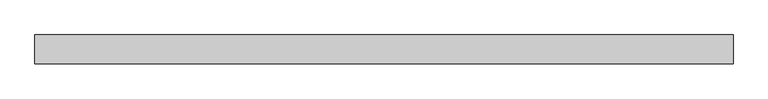
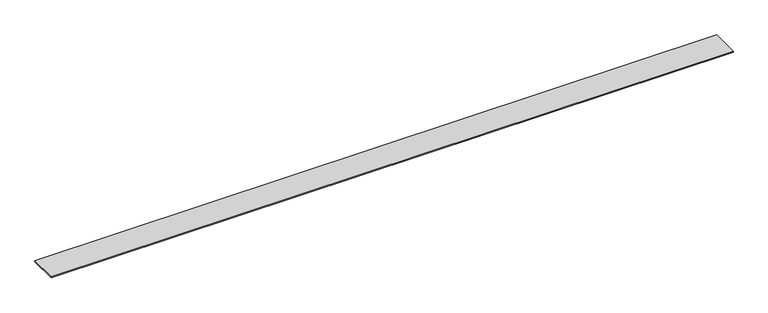
"""IFC4 building model written with IfcOpenShell, lengths in millimetres: proxy geometry."""

from ifc_helpers import new_model, si_unit, origin, origin_with_axes, place, context, project, spatial, polyline, outline, extrude, source, transform, mapped, element, save


def generic_models_820ad119(model_context):
    return source(origin(), model_context, "Body", "SweptSolid", [
        extrude(outline(polyline([(7200.0, 300.0), (7200.0, 0.0), (0.0, 0.0), (0.0, 300.0), (7200.0, 300.0)])), origin_with_axes(), (0.0, 0.0, 1.0), 10.0),
    ])


if __name__ == "__main__":
    model = new_model("IFC4")
    model_context = context("Model", 3, world=origin())
    ifc_project = project(units=[si_unit("LENGTHUNIT", "METRE", prefix="MILLI")], contexts=[model_context])
    site = spatial("IfcSite", under=ifc_project)
    building = spatial("IfcBuilding", under=site)
    placement = place(None, origin())
    generic_models_shape = generic_models_820ad119(model_context)
    element("IfcBuildingElementProxy", 1, Name="Generic Models", at=placement, inside=building, context=model_context, shape_type="MappedRepresentation", body=[
        mapped(generic_models_shape, transform((0.0, 0.0, 0.0), x_axis=(1.0, 0.0, 0.0), y_axis=(0.0, 1.0, 0.0), z_axis=(0.0, 0.0, 1.0))),
    ])
    save(model, "model.ifc")
